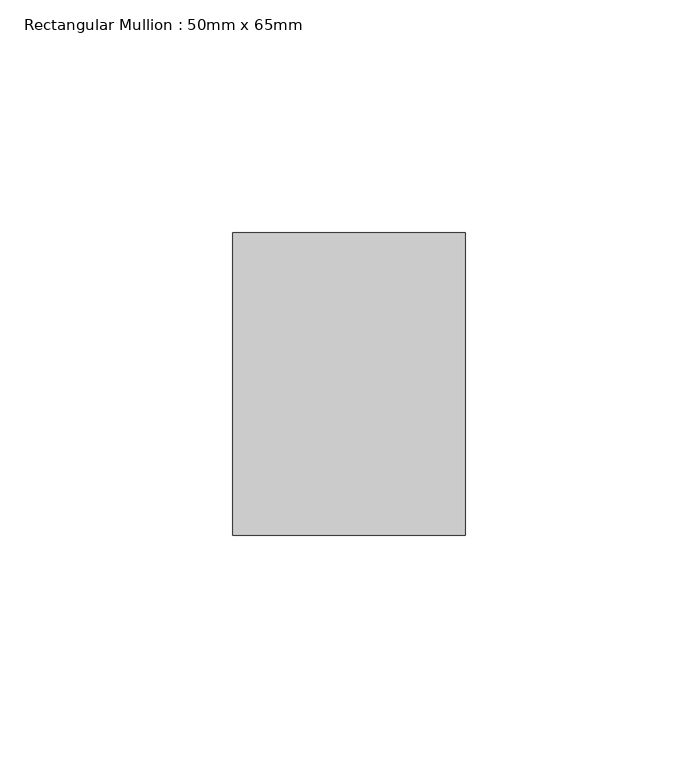
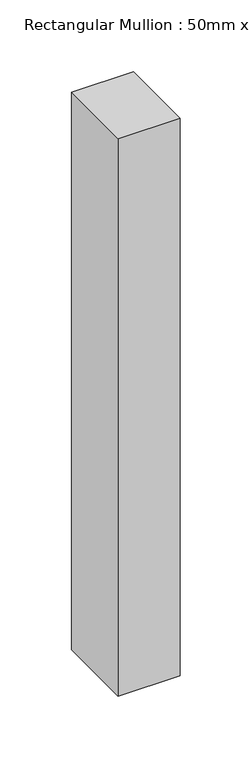
"""IFC4 building model written with IfcOpenShell, lengths in millimetres: member geometry, Rectangular Mullion : 50mm x 65mm."""

from ifc_helpers import new_model, si_unit, frame, origin, place, context, project, spatial, polyline, outline, extrude, source, transform, mapped, element, save


def rectangular_mullion_50mm_x_65mm_2d26dc12(model_context):
    return source(origin(), model_context, "Body", "SweptSolid", [
        extrude(outline(polyline([(0.0, 32.5), (0.0, -32.5), (-50.0, -32.5), (-50.0, 32.5), (0.0, 32.5)])), frame((0.0, 0.0, -474.5044976), z_axis=(0.0, 0.0, 1.0), x_axis=(1.0, 0.0, 0.0)), (0.0, 0.0, 1.0), 474.5044976),
    ])


if __name__ == "__main__":
    model = new_model("IFC4")
    model_context = context("Model", 3, world=origin())
    ifc_project = project(units=[si_unit("LENGTHUNIT", "METRE", prefix="MILLI")], contexts=[model_context])
    site = spatial("IfcSite", under=ifc_project)
    building = spatial("IfcBuilding", under=site)
    placement = place(None, origin())
    rectangular_mullion_50mm_x_65mm_shape = rectangular_mullion_50mm_x_65mm_2d26dc12(model_context)
    element("IfcMember", 1, ObjectType="Rectangular Mullion : 50mm x 65mm", at=placement, inside=building, context=model_context, shape_type="MappedRepresentation", body=[
        mapped(rectangular_mullion_50mm_x_65mm_shape, transform((0.0, 0.0, 0.0), x_axis=(1.0, 0.0, 0.0), y_axis=(0.0, 1.0, 0.0), z_axis=(0.0, 0.0, 1.0))),
    ])
    save(model, "model.ifc")
